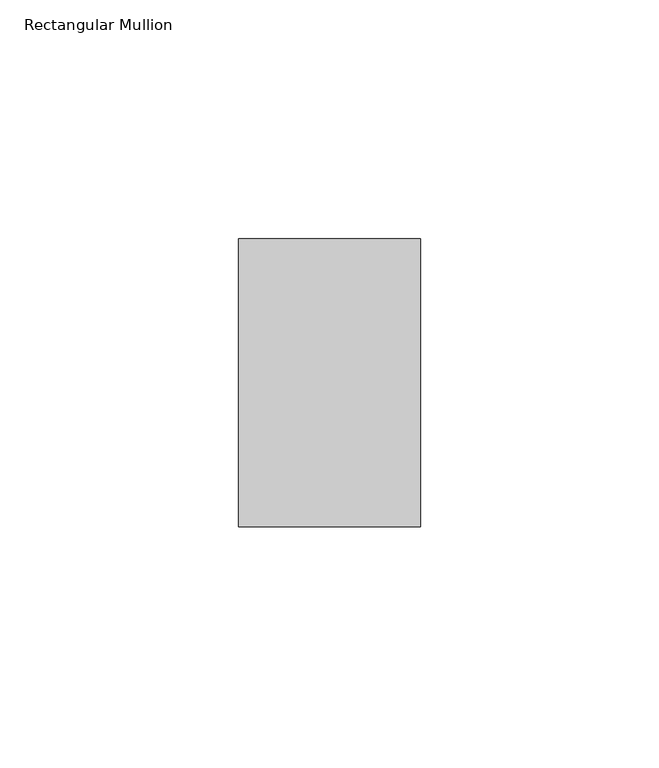
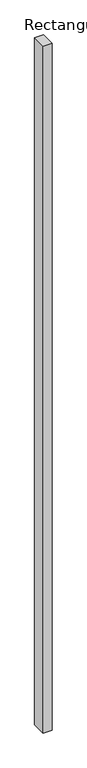
"""IFC4 building model written with IfcOpenShell, lengths in millimetres: member geometry, Rectangular Mullion."""

from ifc_helpers import new_model, si_unit, frame, origin, place, context, project, spatial, polyline, outline, extrude, source, transform, mapped, element, save


def rectangular_mullion_d3e18fbd(model_context):
    return source(origin(), model_context, "Body", "SweptSolid", [
        extrude(outline(polyline([(-38.1, -50.8), (-38.1, 9.525), (0.0, 9.525), (0.0, -50.8), (-38.1, -50.8)])), frame((0.0, 0.0, -3048.0), z_axis=(0.0, 0.0, 1.0), x_axis=(1.0, 0.0, 0.0)), (0.0, 0.0, 1.0), 3048.0),
    ])


if __name__ == "__main__":
    model = new_model("IFC4")
    model_context = context("Model", 3, world=origin())
    ifc_project = project(units=[si_unit("LENGTHUNIT", "METRE", prefix="MILLI")], contexts=[model_context])
    site = spatial("IfcSite", under=ifc_project)
    building = spatial("IfcBuilding", under=site)
    placement = place(None, origin())
    rectangular_mullion_shape = rectangular_mullion_d3e18fbd(model_context)
    element("IfcMember", 1, ObjectType="Rectangular Mullion", at=placement, inside=building, context=model_context, shape_type="MappedRepresentation", body=[
        mapped(rectangular_mullion_shape, transform((0.0, 0.0, 0.0), x_axis=(1.0, 0.0, 0.0), y_axis=(0.0, 1.0, 0.0), z_axis=(0.0, 0.0, 1.0))),
    ])
    save(model, "model.ifc")
